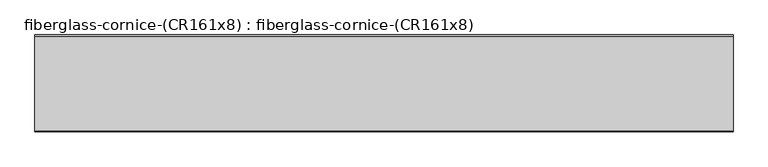
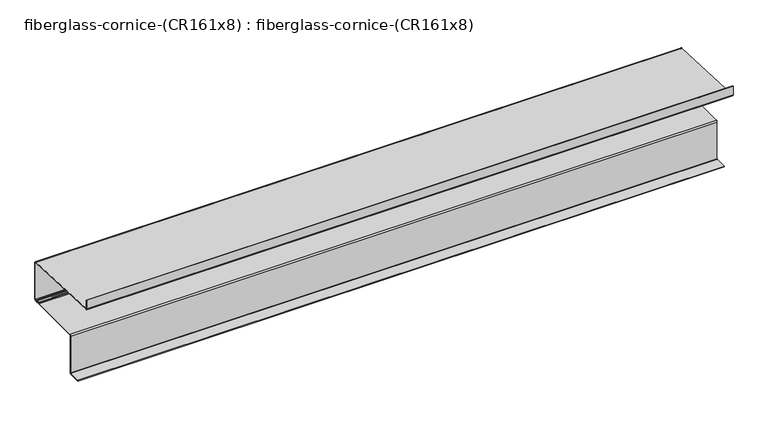
"""IFC4 building model written with IfcOpenShell, lengths in millimetres: furniture geometry, fiberglass-cornice-(CR161x8) : fiberglass-cornice-(CR161x8)."""

from ifc_helpers import new_model, si_unit, point, frame, frame_2d, origin, place, context, project, spatial, polyline, circle_curve, trimmed, segment, composite_curve, outline, extrude, source, transform, mapped, element, save


def fiberglass_cornice_cr161x8_fiberglass_cornice_cr161x8_370231f7(model_context):
    return source(origin(), model_context, "Body", "SweptSolid", [
        extrude(outline(composite_curve([segment(trimmed(circle_curve(frame_2d((109.4353604, 274.5878687)), 3.0545328), [point((106.3808276, 274.5878687))], [point((109.4353604, 271.5333359))], True, "CARTESIAN"), True, "CONTINUOUS"), segment(polyline([(109.4353604, 271.5333359), (652.9876368, 248.8192233)]), True, "CONTINUOUS"), segment(trimmed(circle_curve(frame_2d((652.9876368, 240.8439199)), 7.9753033), [point((652.9876368, 248.8192233))], [point((660.9629401, 240.8439199))], False, "CARTESIAN"), True, "CONTINUOUS"), segment(polyline([(660.9629401, 240.8439199), (660.9629401, 1.3732172)]), True, "CONTINUOUS"), segment(trimmed(circle_curve(frame_2d((652.9948878, 1.3732172)), 7.9680523), [point((660.9629401, 1.3732172))], [point((652.9948878, -6.5948351))], False, "CARTESIAN"), True, "CONTINUOUS"), segment(polyline([(652.9948878, -6.5948351), (638.6524128, -6.5948351)]), True, "CONTINUOUS"), segment(trimmed(circle_curve(frame_2d((638.6524128, -3.4076153)), 3.1872198), [point((638.6524128, -6.5948351))], [point((635.465193, -3.4076097))], False, "CARTESIAN"), True, "CONTINUOUS"), segment(trimmed(circle_curve(frame_2d((632.2779746, -3.4076042)), 3.1872184), [point((635.465193, -3.4076097))], [point((632.2779746, -0.2203858))], True, "CARTESIAN"), True, "CONTINUOUS"), segment(polyline([(632.2779746, -0.2203858), (625.9035323, -0.2203858)]), True, "CONTINUOUS"), segment(trimmed(circle_curve(frame_2d((625.9035323, -3.4076042)), 3.1872184), [point((625.9035323, -0.2203858))], [point((622.7163139, -3.4076111))], True, "CARTESIAN"), True, "CONTINUOUS"), segment(trimmed(circle_curve(frame_2d((619.5290955, -3.407618)), 3.1872184), [point((622.7163139, -3.4076111))], [point((619.5262266, -6.5948351))], False, "CARTESIAN"), True, "CONTINUOUS"), segment(polyline([(619.5262266, -6.5948351), (283.2714416, -6.5948351)]), True, "CONTINUOUS"), segment(trimmed(circle_curve(frame_2d((283.2714416, -9.7820536)), 3.1872185), [point((283.2714416, -6.5948351))], [point((280.0842231, -9.7820536))], True, "CARTESIAN"), True, "CONTINUOUS"), segment(polyline([(280.0842231, -9.7820536), (280.0842231, -250.3692629)]), True, "CONTINUOUS"), segment(trimmed(circle_curve(frame_2d((272.116177, -250.3692629)), 7.968046), [point((280.0842231, -250.3692629))], [point((272.116177, -258.3373089))], False, "CARTESIAN"), True, "CONTINUOUS"), segment(polyline([(272.116177, -258.3373089), (197.2159176, -258.3373089), (197.2159176, -253.5564813), (272.116177, -253.5564813)]), True, "CONTINUOUS"), segment(trimmed(circle_curve(frame_2d((272.116177, -250.3692629)), 3.1872184), [point((272.116177, -253.5564813))], [point((275.3033954, -250.3692629))], True, "CARTESIAN"), True, "CONTINUOUS"), segment(polyline([(275.3033954, -250.3692629), (275.3033954, -9.7820441)]), True, "CONTINUOUS"), segment(trimmed(circle_curve(frame_2d((283.2714417, -9.7820441)), 7.9680463), [point((275.3033954, -9.7820441))], [point((283.2714417, -1.8139978))], False, "CARTESIAN"), True, "CONTINUOUS"), segment(polyline([(283.2714417, -1.8139978), (614.7399727, -1.8139978)]), True, "CONTINUOUS"), segment(trimmed(circle_curve(frame_2d((614.7482679, 1.3732098)), 3.1872184), [point((614.7399727, -1.8139978))], [point((617.9354863, 1.3732166))], True, "CARTESIAN"), True, "CONTINUOUS"), segment(trimmed(circle_curve(frame_2d((621.1227047, 1.3732234)), 3.1872184), [point((617.9354863, 1.3732166))], [point((621.1227047, 4.5604418))], False, "CARTESIAN"), True, "CONTINUOUS"), segment(polyline([(621.1227047, 4.5604418), (637.0588022, 4.5604418)]), True, "CONTINUOUS"), segment(trimmed(circle_curve(frame_2d((637.0588022, 1.3732234)), 3.1872184), [point((637.0588022, 4.5604418))], [point((640.2460207, 1.3732189))], False, "CARTESIAN"), True, "CONTINUOUS"), segment(trimmed(circle_curve(frame_2d((643.4332405, 1.3732144)), 3.1872198), [point((640.2460207, 1.3732189))], [point((643.4332405, -1.8140054))], True, "CARTESIAN"), True, "CONTINUOUS"), segment(polyline([(643.4332405, -1.8140054), (652.9948899, -1.8140054)]), True, "CONTINUOUS"), segment(trimmed(circle_curve(frame_2d((652.9948899, 1.3732172)), 3.1872226), [point((652.9948899, -1.8140054))], [point((656.1821125, 1.3732172))], True, "CARTESIAN"), True, "CONTINUOUS"), segment(polyline([(656.1821125, 1.3732172), (656.1821125, 240.8439199)]), True, "CONTINUOUS"), segment(trimmed(circle_curve(frame_2d((652.9919812, 240.8439199)), 3.1901313), [point((656.1821125, 240.8439199))], [point((652.9919812, 244.0340512))], True, "CARTESIAN"), True, "CONTINUOUS"), segment(polyline([(652.9919812, 244.0340512), (108.4566948, 266.8276293)]), True, "CONTINUOUS"), segment(trimmed(circle_curve(frame_2d((108.7574822, 274.0133965)), 7.1920598), [point((108.4566948, 266.8276293))], [point((101.6, 274.7177912))], False, "CARTESIAN"), True, "CONTINUOUS"), segment(polyline([(101.6, 274.7177912), (101.6, 330.1999904), (106.3808276, 330.1999904), (106.3808276, 274.5878687)]), True, "CONTINUOUS")], self_intersect=False)), frame((-2012.9498044, 0.0, 0.0), z_axis=(1.0, 0.0, 0.0), x_axis=(0.0, 1.0, 0.0)), (0.0, 0.0, 1.0), 4025.8996087),
    ])


if __name__ == "__main__":
    model = new_model("IFC4")
    model_context = context("Model", 3, world=origin())
    ifc_project = project(units=[si_unit("LENGTHUNIT", "METRE", prefix="MILLI")], contexts=[model_context])
    site = spatial("IfcSite", under=ifc_project)
    building = spatial("IfcBuilding", under=site)
    placement = place(None, origin())
    fiberglass_cornice_cr161x8_fiberglass_cornice_cr161x8_shape = fiberglass_cornice_cr161x8_fiberglass_cornice_cr161x8_370231f7(model_context)
    element("IfcFurniture", 1, ObjectType="fiberglass-cornice-(CR161x8) : fiberglass-cornice-(CR161x8)", at=placement, inside=building, context=model_context, shape_type="MappedRepresentation", body=[
        mapped(fiberglass_cornice_cr161x8_fiberglass_cornice_cr161x8_shape, transform((0.0, 0.0, 0.0), x_axis=(1.0, 0.0, 0.0), y_axis=(0.0, 1.0, 0.0), z_axis=(0.0, 0.0, 1.0))),
    ])
    save(model, "model.ifc")
